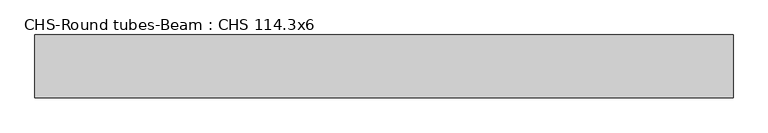
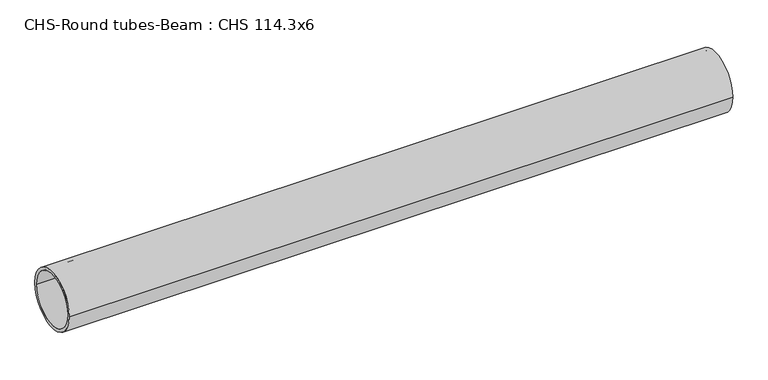
"""IFC4 building model written with IfcOpenShell, lengths in millimetres: beam geometry, CHS-Round tubes-Beam : CHS 114.3x6."""

from ifc_helpers import new_model, si_unit, point, frame, origin, origin_2d, place, context, project, spatial, circle_curve, trimmed, segment, composite_curve, outline, extrude, source, transform, mapped, element, save


def chs_round_tubes_beam_chs_114_3x6_25f62ed4(model_context):
    return source(origin(), model_context, "Body", "SweptSolid", [
        extrude(outline(composite_curve([segment(trimmed(circle_curve(origin_2d(), 57.15), [point((57.15, 0.0))], [point((-57.15, 0.0))], False, "CARTESIAN"), True, "CONTINUOUS"), segment(trimmed(circle_curve(origin_2d(), 57.15), [point((-57.15, 0.0))], [point((57.15, 0.0))], False, "CARTESIAN"), True, "CONTINUOUS")], self_intersect=False), holes=[composite_curve([segment(trimmed(circle_curve(origin_2d(), 51.15), [point((51.15, 0.0))], [point((-51.15, 0.0))], True, "CARTESIAN"), True, "CONTINUOUS"), segment(trimmed(circle_curve(origin_2d(), 51.15), [point((-51.15, 0.0))], [point((51.15, 0.0))], True, "CARTESIAN"), True, "CONTINUOUS")], self_intersect=False)]), frame((-639.5837825, 0.0, 0.0), z_axis=(1.0, 0.0, 0.0), x_axis=(0.0, 1.0, 0.0)), (0.0, 0.0, 1.0), 1272.8359675),
    ])


if __name__ == "__main__":
    model = new_model("IFC4")
    model_context = context("Model", 3, world=origin())
    ifc_project = project(units=[si_unit("LENGTHUNIT", "METRE", prefix="MILLI")], contexts=[model_context])
    site = spatial("IfcSite", under=ifc_project)
    building = spatial("IfcBuilding", under=site)
    placement = place(None, origin())
    chs_round_tubes_beam_chs_114_3x6_shape = chs_round_tubes_beam_chs_114_3x6_25f62ed4(model_context)
    element("IfcBeam", 1, ObjectType="CHS-Round tubes-Beam : CHS 114.3x6", at=placement, inside=building, context=model_context, shape_type="MappedRepresentation", body=[
        mapped(chs_round_tubes_beam_chs_114_3x6_shape, transform((0.0, 0.0, 0.0), x_axis=(1.0, 0.0, 0.0), y_axis=(0.0, 1.0, 0.0), z_axis=(0.0, 0.0, 1.0))),
    ])
    save(model, "model.ifc")
